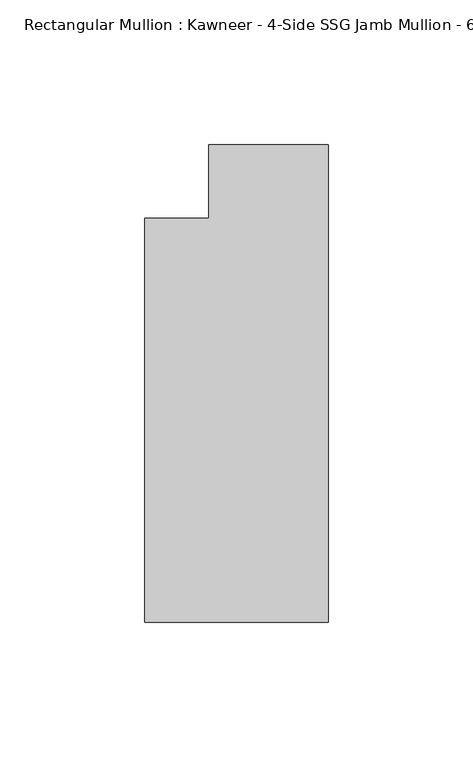
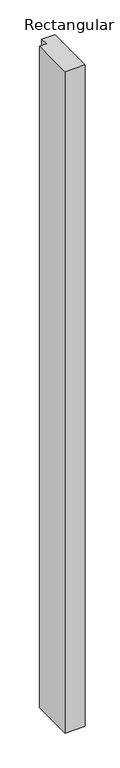
"""IFC4 building model written with IfcOpenShell, lengths in millimetres: member geometry."""

import ifcopenshell
import ifcopenshell.guid

model = None  # the IFC model being written
_history = None  # IfcOwnerHistory: only IFC2X3 demands one
_inside = {}  # id of a spatial element -> (the spatial element, [elements in it])
_under = {}  # id of a project, library or spatial element -> (it, [spatial elements below it])
_declared = {}  # id of a project -> (the project, [libraries it declares])
_typed = {}  # id of a type object -> (the type object, [elements of that type])
_made_of = {}  # id of a material, layer set ... -> (it, [elements and type objects made of it])


def new_model(schema):
    """Start an empty IFC model of exactly this schema.

    Asked for "IFC4X3", IfcOpenShell would pick the latest addendum, in which some entities
    have other attributes; the version numbers below select the first issue.
    IFC2X3 requires an IfcOwnerHistory on every rooted entity: one is made here for all.
    """
    global model, _history
    if schema == "IFC4X3":
        model = ifcopenshell.file(schema_version=(4, 3, 0, 0))
    else:
        model = ifcopenshell.file(schema=schema)
    _inside.clear()
    _under.clear()
    _declared.clear()
    _typed.clear()
    _made_of.clear()
    _history = None
    if model.schema == "IFC2X3":
        org = make("IfcOrganization", Name="unknown")
        user = make(
            "IfcPersonAndOrganization",
            ThePerson=make("IfcPerson", FamilyName="unknown"),
            TheOrganization=org,
        )
        app = make(
            "IfcApplication",
            ApplicationDeveloper=org,
            Version="unknown",
            ApplicationFullName="unknown",
            ApplicationIdentifier="unknown",
        )
        _history = make(
            "IfcOwnerHistory",
            OwningUser=user,
            OwningApplication=app,
            ChangeAction="ADDED",
            CreationDate=0,
        )
    return model


def make(cls, **values):
    """One entity of the class cls with the attributes given. An attribute that is None is left unset."""
    return model.create_entity(
        cls, **{name: value for name, value in values.items() if value is not None}
    )


def rooted(cls, **values):
    """An entity with a GlobalId (a new one), such as an element, a storey or a relation."""
    return make(cls, GlobalId=ifcopenshell.guid.new(), OwnerHistory=_history, **values)


def si_unit(unit_type, name, prefix=None):
    """IfcSIUnit, for example si_unit("LENGTHUNIT", "METRE", prefix="MILLI")."""
    return make("IfcSIUnit", UnitType=unit_type, Prefix=prefix, Name=name)


def assignment(units):
    """IfcUnitAssignment: the units of a project."""
    return None if units is None else make("IfcUnitAssignment", Units=units)


def point(xyz):
    """IfcCartesianPoint."""
    return None if xyz is None else make("IfcCartesianPoint", Coordinates=xyz)


def direction(xyz):
    """IfcDirection."""
    return None if xyz is None else make("IfcDirection", DirectionRatios=xyz)


def frame(location, z_axis=None, x_axis=None):
    """IfcAxis2Placement3D, a coordinate frame: its origin and axes. An axis left out is left unset."""
    return make(
        "IfcAxis2Placement3D",
        Location=point(location),
        Axis=direction(z_axis),
        RefDirection=direction(x_axis),
    )


def origin():
    """The frame at (0, 0, 0) with its axes left unset."""
    return frame((0.0, 0.0, 0.0))


def place(relative_to, where):
    """IfcLocalPlacement: puts the frame where relative to a parent placement (None: the world)."""
    return make(
        "IfcLocalPlacement", PlacementRelTo=relative_to, RelativePlacement=where
    )


def context(
    kind, dimensions, precision=None, world=None, true_north=None, identifier=None
):
    """IfcGeometricRepresentationContext, for example the 3D "Model" context."""
    return make(
        "IfcGeometricRepresentationContext",
        ContextIdentifier=identifier,
        ContextType=kind,
        CoordinateSpaceDimension=dimensions,
        Precision=precision,
        WorldCoordinateSystem=world,
        TrueNorth=true_north,
    )


def project(units=None, contexts=None):
    """IfcProject with its units and contexts."""
    return rooted(
        "IfcProject",
        Name="project",
        RepresentationContexts=contexts,
        UnitsInContext=assignment(units),
    )


def spatial(cls, under=None, at=None, **own):
    """A site, building, storey or space (cls), placed at a placement, below another one or the project."""
    s = rooted(cls, ObjectPlacement=at, **own)
    if under is not None:
        _under.setdefault(under.id(), (under, []))[1].append(s)
    return s


def polyline(points):
    """IfcPolyline through the points."""
    return make("IfcPolyline", Points=[point(p) for p in points])


def outline(outer, holes=None, kind="AREA"):
    """IfcArbitraryClosedProfileDef: a profile drawn as a closed curve; with holes, ...WithVoids."""
    if holes is None:
        return make("IfcArbitraryClosedProfileDef", ProfileType=kind, OuterCurve=outer)
    return make(
        "IfcArbitraryProfileDefWithVoids",
        ProfileType=kind,
        OuterCurve=outer,
        InnerCurves=holes,
    )


def extrude(swept, where, along, depth):
    """IfcExtrudedAreaSolid: the profile swept, set in the frame where, extruded along a direction by depth."""
    return make(
        "IfcExtrudedAreaSolid",
        SweptArea=swept,
        Position=where,
        ExtrudedDirection=direction(along),
        Depth=depth,
    )


def shape(context_of_items, identifier, shape_type, items):
    """IfcShapeRepresentation: the items that make up one representation, for example the "Body"."""
    return make(
        "IfcShapeRepresentation",
        ContextOfItems=context_of_items,
        RepresentationIdentifier=identifier,
        RepresentationType=shape_type,
        Items=items,
    )


def source(mapping_origin, context_of_items, identifier, shape_type, items):
    """IfcRepresentationMap: a shape defined once, which mapped items show again and again."""
    return make(
        "IfcRepresentationMap",
        MappingOrigin=mapping_origin,
        MappedRepresentation=shape(context_of_items, identifier, shape_type, items),
    )


def transform(
    local_origin,
    x_axis=None,
    y_axis=None,
    z_axis=None,
    scale=None,
    scale2=None,
    scale3=None,
    uniform=True,
):
    """IfcCartesianTransformationOperator3D, or its non-uniform kind. x_axis, y_axis, z_axis: its Axis1, 2, 3."""
    if uniform:
        return make(
            "IfcCartesianTransformationOperator3D",
            Axis1=direction(x_axis),
            Axis2=direction(y_axis),
            LocalOrigin=point(local_origin),
            Scale=scale,
            Axis3=direction(z_axis),
        )
    return make(
        "IfcCartesianTransformationOperator3DnonUniform",
        Axis1=direction(x_axis),
        Axis2=direction(y_axis),
        LocalOrigin=point(local_origin),
        Scale=scale,
        Axis3=direction(z_axis),
        Scale2=scale2,
        Scale3=scale3,
    )


def mapped(mapping_source, mapping_target):
    """IfcMappedItem: shows the shape of a source again, moved by a transform."""
    return make(
        "IfcMappedItem", MappingSource=mapping_source, MappingTarget=mapping_target
    )


def made_of(thing, what):
    """Note that an element or type object is made of a material, layer set ...; save() writes the relation."""
    if what is not None:
        _made_of.setdefault(what.id(), (what, []))[1].append(thing)
    return thing


def element(
    cls,
    number,
    at=None,
    inside=None,
    cuts=None,
    type_object=None,
    material=None,
    context=None,
    identifier="Body",
    shape_type=None,
    held_by="IfcProductDefinitionShape",
    body=None,
    shapes=None,
    **own,
):
    """One element of the class cls, such as IfcWall. Its Tag is "e" and its number.

    at: its placement. inside: the storey or other place that contains it. cuts: it is an
    opening in that element (IfcRelVoidsElement). A single representation is given by context,
    identifier, shape_type and body (its items); several are given by shapes. held_by: the class
    of the entity that holds the representations. save() writes the other relations.
    """
    e = rooted(cls, Tag="e%d" % number, ObjectPlacement=at, **own)
    if body is not None:
        shapes = [shape(context, identifier, shape_type, body)]
    if shapes is not None:
        e.Representation = make(held_by, Representations=shapes)
    if inside is not None:
        _inside.setdefault(inside.id(), (inside, []))[1].append(e)
    if cuts is not None:
        rooted(
            "IfcRelVoidsElement", RelatingBuildingElement=cuts, RelatedOpeningElement=e
        )
    if type_object is not None:
        _typed.setdefault(type_object.id(), (type_object, []))[1].append(e)
    return made_of(e, material)


def aggregate(whole, parts):
    """IfcRelAggregates: a whole, such as a stair, and the parts it consists of."""
    return rooted("IfcRelAggregates", RelatingObject=whole, RelatedObjects=parts)


def save(model, path):
    """Write the relations noted so far, then the file.

    IfcRelAggregates (storeys below a building ...), IfcRelContainedInSpatialStructure (elements
    in a storey), IfcRelDefinesByType, IfcRelAssociatesMaterial and IfcRelDeclares: one each for
    every whole, place, type object, material and project.
    """
    for whole, parts in _under.values():
        aggregate(whole, parts)
    for where, things in _inside.values():
        rooted(
            "IfcRelContainedInSpatialStructure",
            RelatedElements=things,
            RelatingStructure=where,
        )
    for kind, things in _typed.values():
        rooted("IfcRelDefinesByType", RelatedObjects=things, RelatingType=kind)
    for what, things in _made_of.values():
        rooted("IfcRelAssociatesMaterial", RelatedObjects=things, RelatingMaterial=what)
    for by, libraries in _declared.values():
        rooted("IfcRelDeclares", RelatingContext=by, RelatedDefinitions=libraries)
    model.write(path)


def member_d74d6ca8(model_context):
    return source(origin(), model_context, "Body", "SweptSolid", [
        extrude(outline(polyline([(0.0, -152.399995), (-63.5, -152.399995), (-63.5, -12.7), (-41.2751132, -12.7), (-41.2751132, 12.7), (0.0, 12.7), (0.0, -152.399995)])), frame((0.0, 0.0, -2209.3326946), z_axis=(0.0, 0.0, 1.0), x_axis=(1.0, 0.0, 0.0)), (0.0, 0.0, 1.0), 2209.3326946),
    ])


if __name__ == "__main__":
    model = new_model("IFC4")
    model_context = context("Model", 3, world=origin())
    ifc_project = project(units=[si_unit("LENGTHUNIT", "METRE", prefix="MILLI")], contexts=[model_context])
    site = spatial("IfcSite", under=ifc_project)
    building = spatial("IfcBuilding", under=site)
    placement = place(None, origin())
    member_shape = member_d74d6ca8(model_context)
    element("IfcMember", 1, ObjectType="Rectangular Mullion : Kawneer - 4-Side SSG Jamb Mullion - 6 1/2\" - Left", at=placement, inside=building, context=model_context, shape_type="MappedRepresentation", body=[
        mapped(member_shape, transform((0.0, 0.0, 0.0), x_axis=(1.0, 0.0, 0.0), y_axis=(0.0, 1.0, 0.0), z_axis=(0.0, 0.0, 1.0))),
    ])
    save(model, "model.ifc")
